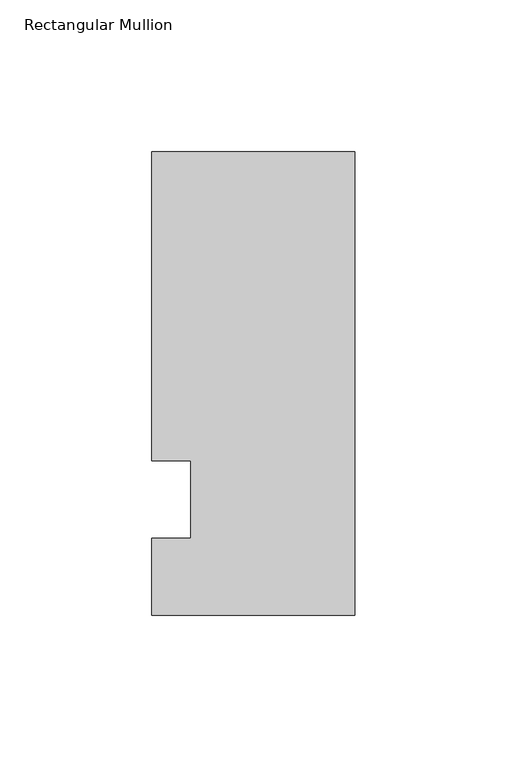
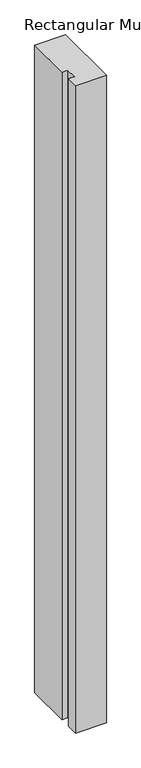
"""IFC4 building model written with IfcOpenShell, lengths in millimetres: member geometry, Rectangular Mullion."""

from ifc_helpers import new_model, si_unit, frame, origin, place, context, project, spatial, polyline, outline, extrude, source, transform, mapped, element, save


def rectangular_mullion_9327585d(model_context):
    return source(origin(), model_context, "Body", "SweptSolid", [
        extrude(outline(polyline([(-66.675, 114.3), (0.0, 114.3), (0.0, -38.1), (-66.675, -38.1), (-66.675, -12.7), (-53.9732296, -12.7), (-53.9732296, 12.7), (-66.675, 12.7), (-66.675, 114.3)])), frame((0.0, 0.0, -1478.28), z_axis=(0.0, 0.0, 1.0), x_axis=(1.0, 0.0, 0.0)), (0.0, 0.0, 1.0), 1478.28),
    ])


if __name__ == "__main__":
    model = new_model("IFC4")
    model_context = context("Model", 3, world=origin())
    ifc_project = project(units=[si_unit("LENGTHUNIT", "METRE", prefix="MILLI")], contexts=[model_context])
    site = spatial("IfcSite", under=ifc_project)
    building = spatial("IfcBuilding", under=site)
    placement = place(None, origin())
    rectangular_mullion_shape = rectangular_mullion_9327585d(model_context)
    element("IfcMember", 1, ObjectType="Rectangular Mullion", at=placement, inside=building, context=model_context, shape_type="MappedRepresentation", body=[
        mapped(rectangular_mullion_shape, transform((0.0, 0.0, 0.0), x_axis=(1.0, 0.0, 0.0), y_axis=(0.0, 1.0, 0.0), z_axis=(0.0, 0.0, 1.0))),
    ])
    save(model, "model.ifc")
